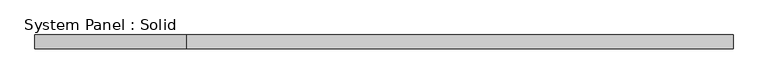
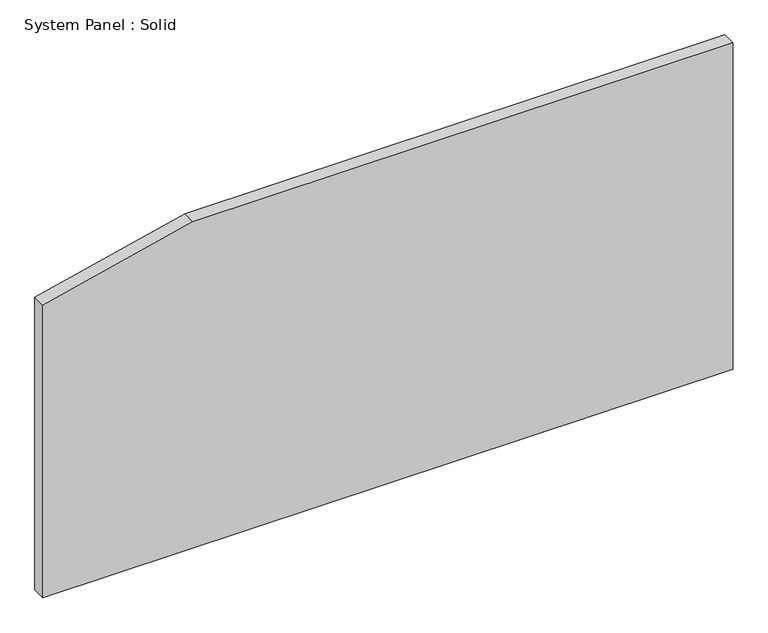
"""IFC4 building model written with IfcOpenShell, lengths in millimetres: plate geometry, System Panel : Solid."""

from ifc_helpers import new_model, si_unit, frame, origin, place, context, project, spatial, polyline, outline, extrude, source, transform, mapped, element, save


def system_panel_solid_b3b80c0c(model_context):
    return source(origin(), model_context, "Body", "SweptSolid", [
        extrude(outline(polyline([(0.0, -1500.0), (0.0, 1500.0), (1500.0, 1500.0), (1500.0, -847.5078094), (1343.7865882, -1500.0), (0.0, -1500.0)])), frame((0.0, -10.5, 0.0), z_axis=(0.0, 1.0, 0.0), x_axis=(0.0, 0.0, 1.0)), (0.0, 0.0, 1.0), 60.0),
    ])


if __name__ == "__main__":
    model = new_model("IFC4")
    model_context = context("Model", 3, world=origin())
    ifc_project = project(units=[si_unit("LENGTHUNIT", "METRE", prefix="MILLI")], contexts=[model_context])
    site = spatial("IfcSite", under=ifc_project)
    building = spatial("IfcBuilding", under=site)
    placement = place(None, origin())
    system_panel_solid_shape = system_panel_solid_b3b80c0c(model_context)
    element("IfcPlate", 1, ObjectType="System Panel : Solid", at=placement, inside=building, context=model_context, shape_type="MappedRepresentation", body=[
        mapped(system_panel_solid_shape, transform((0.0, 0.0, 0.0), x_axis=(1.0, 0.0, 0.0), y_axis=(0.0, 1.0, 0.0), z_axis=(0.0, 0.0, 1.0))),
    ])
    save(model, "model.ifc")
